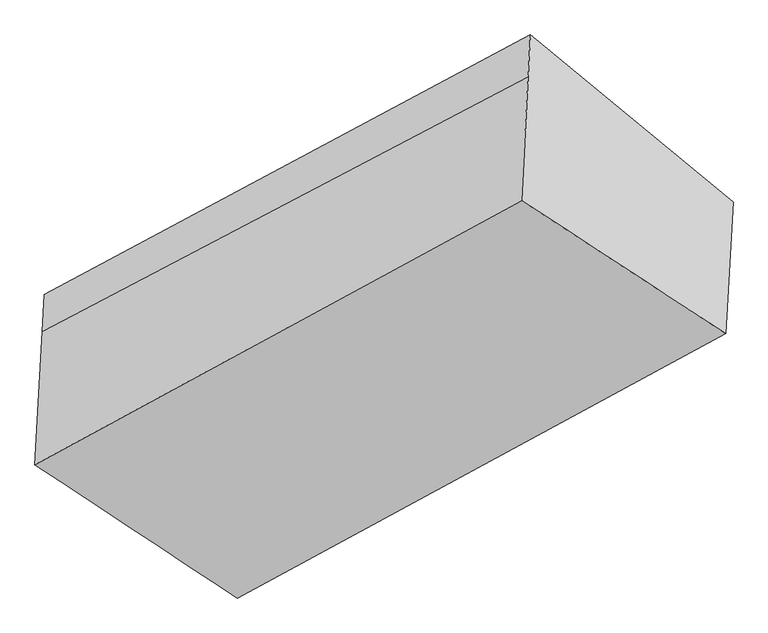
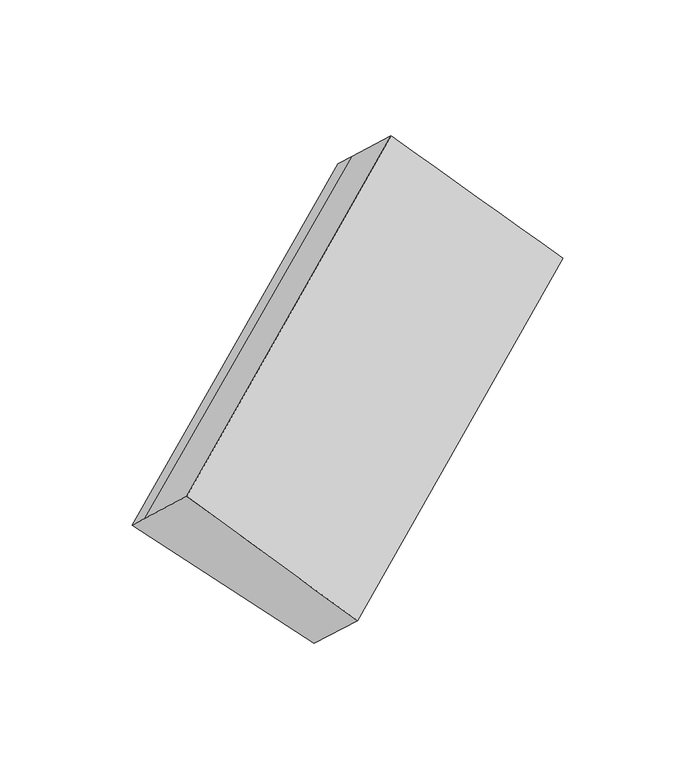
"""IFC4 building model written with IfcOpenShell, lengths in millimetres: proxy geometry."""

from ifc_helpers import new_model, si_unit, frame, origin, place, context, project, spatial, source, transform, mapped, element, save
from ifc_brep_helpers import plane_surface, spline_surface, advanced_brep


def generic_models_fd6577dd(model_context):
    return source(origin(), model_context, "Body", "AdvancedBrep", [
        advanced_brep(
        [(-3760.9697686, -1512.7165305, 1548.733412), (-3766.5598147, -1615.8341556, 1643.2612215), (-2401.5781528, -900.6947563, 2488.6408909), (-2395.1895287, -782.8460419, 2380.6091087), (-3198.7769052, -1986.5043557, 1065.1382498), (-1826.2313034, -1252.9896465, 1901.3894002), (-3219.3209767, -2365.4736589, 1412.5389781), (-1846.2565896, -1622.3890974, 2240.0174559), (-3786.8715548, -1990.5177222, 1986.7332201), (-2420.4167109, -1248.2030499, 2807.2013476)],
        [
            (0, 1),
            (1, 2),
            (2, 3),
            (3, 0),
            (4, 0),
            (0, 5),
            (5, 4),
            (6, 4),
            (5, 7),
            (7, 6),
            (8, 6),
            (7, 9),
            (9, 8),
            (1, 8),
            (9, 2),
            (5, 3),
        ],
        [
            plane_surface(frame((-3763.7647916, -1564.275343, 1595.9973168), z_axis=(-0.6289994581399053, 0.543575871579881, 0.5557741929020082), x_axis=(-0.03992890054168958, -0.7365544654595717, 0.6751986391522843))),
            plane_surface(frame((-3479.8733369, -1749.6104431, 1306.9358309), z_axis=(0.02668347823532735, 0.7293899381193041, -0.6835775816683743), x_axis=(-0.6388555265888753, 0.5383952559964267, 0.5495399571163075))),
            plane_surface(frame((-3209.048941, -2175.9890073, 1238.8386139), z_axis=(0.6290685765247439, -0.5435400342323171, -0.555731011565725), x_axis=(0.03992890054171645, 0.736554465459583, -0.6751986391522703))),
            spline_surface(1, 1, [[(-3786.8715548, -1990.5177222, 1986.7332201), (-2420.4167109, -1248.2030499, 2807.2013476)], [(-3219.3209767, -2365.4736589, 1412.5389781), (-1846.2565896, -1622.3890974, 2240.0174559)]], [2, 2], [2, 2], [0.0, 1.0], [0.0, 1.0]),
            plane_surface(frame((-3776.7156847, -1803.1759389, 1814.9972208), z_axis=(-0.6289994581399054, 0.5435758715798843, 0.5557741929020049), x_axis=(-0.0399289005417256, -0.7365544654595864, 0.6751986391522662))),
            plane_surface(frame((-2122.0235331, -1226.6069589, 2332.3043281), z_axis=(0.7618315207171993, 0.4148012538044675, 0.49754663488356715), x_axis=(0.03992890054171645, 0.736554465459583, -0.6751986391522703))),
            plane_surface(frame((-3491.4848013, -1963.8030668, 1503.285965), z_axis=(-0.7682898535373097, -0.40941185587632273, -0.49204942152137987), x_axis=(0.03992890054171291, 0.7365544654595815, -0.6751986391522723))),
            plane_surface(frame((-3760.9697686, -1512.7165305, 1548.733412), z_axis=(0.026726316040752957, 0.7292586846140672, -0.6837159314699713), x_axis=(-0.6465434377853121, 0.534254096150688, 0.5445678505043811))),
        ],
        [
            (0, [[1, 2, 3, 4]]),
            (1, [[5, 6, 7]]),
            (2, [[8, -7, 9, 10]]),
            (3, [[11, -10, 12, 13]]),
            (4, [[14, -13, 15, -2]]),
            (5, [[-9, 16, -3, -15, -12]]),
            (6, [[-1, -5, -8, -11, -14]]),
            (7, [[-16, -6, -4]]),
        ],
    ),
    ])


if __name__ == "__main__":
    model = new_model("IFC4")
    model_context = context("Model", 3, world=origin())
    ifc_project = project(units=[si_unit("LENGTHUNIT", "METRE", prefix="MILLI")], contexts=[model_context])
    site = spatial("IfcSite", under=ifc_project)
    building = spatial("IfcBuilding", under=site)
    placement = place(None, origin())
    generic_models_shape = generic_models_fd6577dd(model_context)
    element("IfcBuildingElementProxy", 1, Name="Generic Models", at=placement, inside=building, context=model_context, shape_type="MappedRepresentation", body=[
        mapped(generic_models_shape, transform((0.0, 0.0, 0.0), x_axis=(1.0, 0.0, 0.0), y_axis=(0.0, 1.0, 0.0), z_axis=(0.0, 0.0, 1.0))),
    ])
    save(model, "model.ifc")
